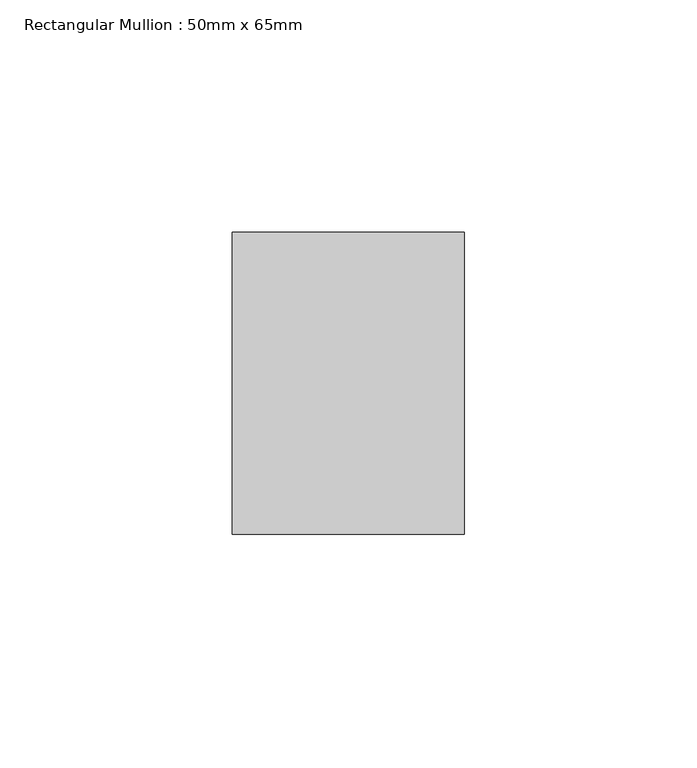
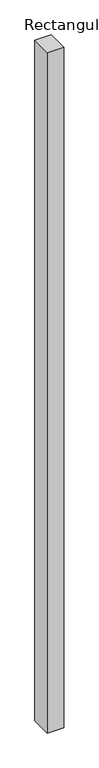
"""IFC4 building model written with IfcOpenShell, lengths in millimetres: member geometry, Rectangular Mullion : 50mm x 65mm."""

from ifc_helpers import new_model, si_unit, frame, origin, place, context, project, spatial, polyline, outline, extrude, source, transform, mapped, element, save


def rectangular_mullion_50mm_x_65mm_381423b8(model_context):
    return source(origin(), model_context, "Body", "SweptSolid", [
        extrude(outline(polyline([(25.0, 32.5), (25.0, -32.5), (-25.0, -32.5), (-25.0, 32.5), (25.0, 32.5)])), frame((0.0, 0.0, -2186.9745932), z_axis=(0.0, 0.0, 1.0), x_axis=(1.0, 0.0, 0.0)), (0.0, 0.0, 1.0), 2186.9745932),
    ])


if __name__ == "__main__":
    model = new_model("IFC4")
    model_context = context("Model", 3, world=origin())
    ifc_project = project(units=[si_unit("LENGTHUNIT", "METRE", prefix="MILLI")], contexts=[model_context])
    site = spatial("IfcSite", under=ifc_project)
    building = spatial("IfcBuilding", under=site)
    placement = place(None, origin())
    rectangular_mullion_50mm_x_65mm_shape = rectangular_mullion_50mm_x_65mm_381423b8(model_context)
    element("IfcMember", 1, ObjectType="Rectangular Mullion : 50mm x 65mm", at=placement, inside=building, context=model_context, shape_type="MappedRepresentation", body=[
        mapped(rectangular_mullion_50mm_x_65mm_shape, transform((0.0, 0.0, 0.0), x_axis=(1.0, 0.0, 0.0), y_axis=(0.0, 1.0, 0.0), z_axis=(0.0, 0.0, 1.0))),
    ])
    save(model, "model.ifc")
